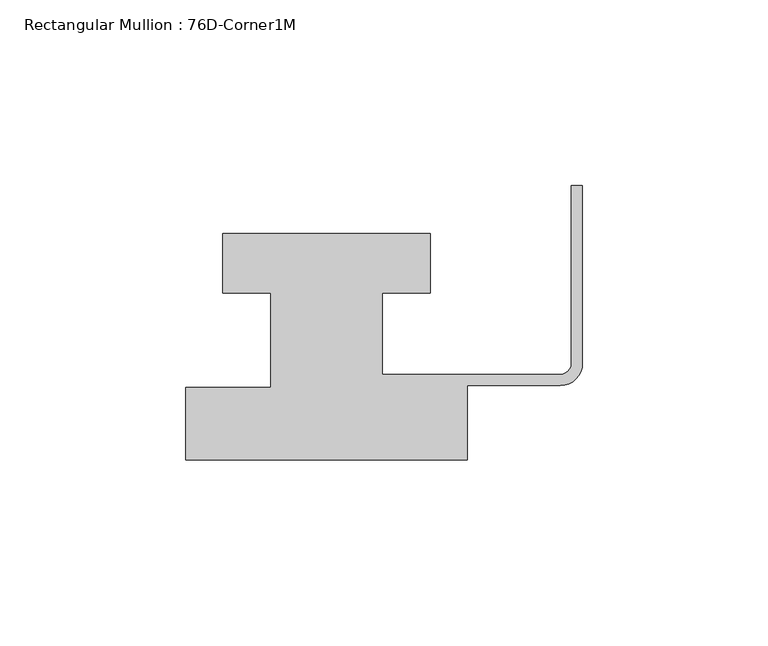
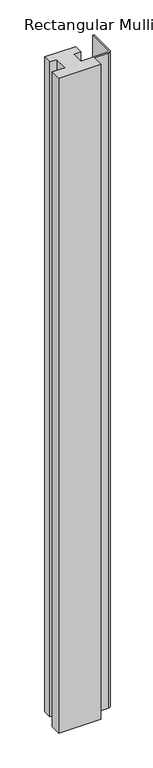
"""IFC4 building model written with IfcOpenShell, lengths in millimetres: member geometry, Rectangular Mullion : 76D-Corner1M."""

from ifc_helpers import new_model, si_unit, point, frame, frame_2d, origin, place, context, project, spatial, polyline, circle_curve, trimmed, segment, composite_curve, outline, extrude, source, transform, mapped, element, save


def rectangular_mullion_76d_corner1m_e194376e(model_context):
    return source(origin(), model_context, "Body", "SweptSolid", [
        extrude(outline(composite_curve([segment(polyline([(-97.0, 25.0), (-97.0, 41.0), (-41.0, 41.0), (-41.0, 25.0), (-54.0, 25.0), (-54.0, 3.0), (-6.0, 3.0)]), True, "CONTINUOUS"), segment(trimmed(circle_curve(frame_2d((-6.0, 6.0)), 3.0), [point((-6.0, 3.0))], [point((-3.0, 6.0))], True, "CARTESIAN"), True, "CONTINUOUS"), segment(polyline([(-3.0, 6.0), (-3.0, 54.0), (0.0, 54.0), (0.0, 6.0)]), True, "CONTINUOUS"), segment(trimmed(circle_curve(frame_2d((-6.0, 6.0)), 6.0), [point((0.0, 6.0))], [point((-6.0, 0.0))], False, "CARTESIAN"), True, "CONTINUOUS"), segment(polyline([(-6.0, 0.0), (-31.0, 0.0), (-31.0, -20.0), (-107.0, -20.0), (-107.0, -0.5), (-84.0, -0.5), (-84.0, 25.0), (-97.0, 25.0)]), True, "CONTINUOUS")], self_intersect=False)), frame((0.0, 0.0, -1246.465707), z_axis=(0.0, 0.0, 1.0), x_axis=(1.0, 0.0, 0.0)), (0.0, 0.0, 1.0), 1246.465707),
    ])


if __name__ == "__main__":
    model = new_model("IFC4")
    model_context = context("Model", 3, world=origin())
    ifc_project = project(units=[si_unit("LENGTHUNIT", "METRE", prefix="MILLI")], contexts=[model_context])
    site = spatial("IfcSite", under=ifc_project)
    building = spatial("IfcBuilding", under=site)
    placement = place(None, origin())
    rectangular_mullion_76d_corner1m_shape = rectangular_mullion_76d_corner1m_e194376e(model_context)
    element("IfcMember", 1, ObjectType="Rectangular Mullion : 76D-Corner1M", at=placement, inside=building, context=model_context, shape_type="MappedRepresentation", body=[
        mapped(rectangular_mullion_76d_corner1m_shape, transform((0.0, 0.0, 0.0), x_axis=(1.0, 0.0, 0.0), y_axis=(0.0, 1.0, 0.0), z_axis=(0.0, 0.0, 1.0))),
    ])
    save(model, "model.ifc")
